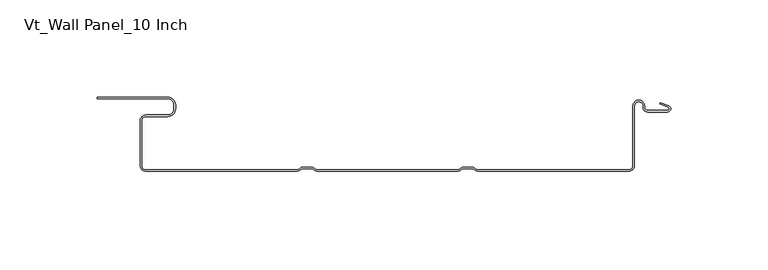
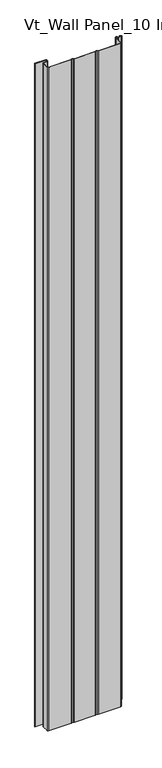
"""IFC4 building model written with IfcOpenShell, lengths in millimetres: plate geometry, Vt_Wall Panel_10 Inch."""

from ifc_helpers import new_model, si_unit, point, frame_2d, origin, origin_with_axes, place, context, project, spatial, polyline, circle_curve, trimmed, segment, composite_curve, outline, extrude, source, transform, mapped, element, save


def vt_wall_panel_10_inch_546e2d45(model_context):
    return source(origin(), model_context, "Body", "SweptSolid", [
        extrude(outline(composite_curve([segment(trimmed(circle_curve(frame_2d((-35.6639634, -32.8147418)), 5.1852582), [point((-35.6639634, -38.0))], [point((-39.2666271, -36.5440469))], False, "CARTESIAN"), True, "CONTINUOUS"), segment(polyline([(-39.2666271, -36.5440469), (-44.4520334, -36.5440469)]), True, "CONTINUOUS"), segment(trimmed(circle_curve(frame_2d((-48.0546971, -32.8147418)), 5.1852582), [point((-44.4520334, -36.5440469))], [point((-48.0546971, -38.0))], False, "CARTESIAN"), True, "CONTINUOUS"), segment(polyline([(-48.0546971, -38.0), (-124.4869905, -38.0)]), True, "CONTINUOUS"), segment(trimmed(circle_curve(frame_2d((-124.4869905, -34.7869903)), 3.2130097), [point((-124.4869905, -38.0))], [point((-127.7000002, -34.7869903))], False, "CARTESIAN"), True, "CONTINUOUS"), segment(polyline([(-127.7000002, -34.7869903), (-127.7000002, -12.0917985)]), True, "CONTINUOUS"), segment(trimmed(circle_curve(frame_2d((-124.6022276, -12.0917985)), 3.0977725), [point((-127.7000002, -12.0917985))], [point((-124.6022276, -8.9940259))], False, "CARTESIAN"), True, "CONTINUOUS"), segment(polyline([(-124.6022276, -8.9940259), (-113.3504982, -8.9940259)]), True, "CONTINUOUS"), segment(trimmed(circle_curve(frame_2d((-113.3504982, -5.8962534)), 3.0977725), [point((-113.3504982, -8.9940259))], [point((-110.2527257, -5.8962534))], True, "CARTESIAN"), True, "CONTINUOUS"), segment(polyline([(-110.2527257, -5.8962534), (-110.2527257, -3.8033983)]), True, "CONTINUOUS"), segment(trimmed(circle_curve(frame_2d((-113.3504982, -3.8033983)), 3.0977725), [point((-110.2527257, -3.8033983))], [point((-113.3504982, -0.7056258))], True, "CARTESIAN"), True, "CONTINUOUS"), segment(polyline([(-113.3504982, -0.7056258), (-149.6340883, -0.7056258), (-149.6340883, 0.0749154), (-113.3504982, 0.0749154)]), True, "CONTINUOUS"), segment(trimmed(circle_curve(frame_2d((-113.3504982, -3.8033983)), 3.8783136), [point((-113.3504982, 0.0749154))], [point((-109.4721846, -3.8033983))], False, "CARTESIAN"), True, "CONTINUOUS"), segment(polyline([(-109.4721846, -3.8033983), (-109.4721846, -5.8962534)]), True, "CONTINUOUS"), segment(trimmed(circle_curve(frame_2d((-113.3504982, -5.8962534)), 3.8783136), [point((-109.4721846, -5.8962534))], [point((-113.3504982, -9.774567))], False, "CARTESIAN"), True, "CONTINUOUS"), segment(polyline([(-113.3504982, -9.774567), (-124.6022276, -9.774567)]), True, "CONTINUOUS"), segment(trimmed(circle_curve(frame_2d((-124.6022276, -12.0917985)), 2.3172314), [point((-124.6022276, -9.774567))], [point((-126.919459, -12.0917985))], True, "CARTESIAN"), True, "CONTINUOUS"), segment(polyline([(-126.919459, -12.0917985), (-126.919459, -34.7869903)]), True, "CONTINUOUS"), segment(trimmed(circle_curve(frame_2d((-124.4869905, -34.7869903)), 2.4324686), [point((-126.919459, -34.7869903))], [point((-124.4869905, -37.2194589))], True, "CARTESIAN"), True, "CONTINUOUS"), segment(polyline([(-124.4869905, -37.2194589), (-48.0546971, -37.2194589)]), True, "CONTINUOUS"), segment(trimmed(circle_curve(frame_2d((-48.0546971, -32.8147418)), 4.4047171), [point((-48.0546971, -37.2194589))], [point((-44.7826452, -35.7635058))], True, "CARTESIAN"), True, "CONTINUOUS"), segment(polyline([(-44.7826452, -35.7635058), (-38.9360153, -35.7635058)]), True, "CONTINUOUS"), segment(trimmed(circle_curve(frame_2d((-35.6639634, -32.8147418)), 4.4047171), [point((-38.9360153, -35.7635058))], [point((-35.6639634, -37.2194589))], True, "CARTESIAN"), True, "CONTINUOUS"), segment(polyline([(-35.6639634, -37.2194589), (34.4699631, -37.2194589)]), True, "CONTINUOUS"), segment(trimmed(circle_curve(frame_2d((34.4699631, -32.8147418)), 4.4047171), [point((34.4699631, -37.2194589))], [point((37.742015, -35.7635058))], True, "CARTESIAN"), True, "CONTINUOUS"), segment(polyline([(37.742015, -35.7635058), (43.588645, -35.7635058)]), True, "CONTINUOUS"), segment(trimmed(circle_curve(frame_2d((46.8606968, -32.8147418)), 4.4047171), [point((43.588645, -35.7635058))], [point((46.8606968, -37.2194589))], True, "CARTESIAN"), True, "CONTINUOUS"), segment(polyline([(46.8606968, -37.2194589), (123.0869902, -37.2194589)]), True, "CONTINUOUS"), segment(trimmed(circle_curve(frame_2d((123.0869902, -34.7869903)), 2.4324686), [point((123.0869902, -37.2194589))], [point((125.5194587, -34.7869903))], True, "CARTESIAN"), True, "CONTINUOUS"), segment(polyline([(125.5194587, -34.7869903), (125.5194587, -4.3905535)]), True, "CONTINUOUS"), segment(trimmed(circle_curve(frame_2d((128.5100251, -4.3717541)), 2.9906254), [point((125.5194587, -4.3905535))], [point((131.500473, -4.3391708))], False, "CARTESIAN"), True, "CONTINUOUS"), segment(polyline([(131.500473, -4.3391708), (131.5344062, -5.3720644)]), True, "CONTINUOUS"), segment(trimmed(circle_curve(frame_2d((133.1548059, -5.0208477)), 1.6580254), [point((131.5344062, -5.3720644))], [point((133.1548059, -6.6788731))], True, "CARTESIAN"), True, "CONTINUOUS"), segment(polyline([(133.1548059, -6.6788731), (143.2420104, -6.6788731)]), True, "CONTINUOUS"), segment(trimmed(circle_curve(frame_2d((143.2387392, -5.8119214)), 0.8669579), [point((143.2420104, -6.6788731))], [point((143.6433711, -5.0451822))], True, "CARTESIAN"), True, "CONTINUOUS"), segment(polyline([(143.6433711, -5.0451822), (139.2834372, -3.321841), (139.5703592, -2.5959483), (143.9636282, -4.3324658)]), True, "CONTINUOUS"), segment(trimmed(circle_curve(frame_2d((143.2387392, -5.8119214)), 1.647499), [point((143.9636282, -4.3324658))], [point((143.2432487, -7.4594143))], False, "CARTESIAN"), True, "CONTINUOUS"), segment(polyline([(143.2432487, -7.4594143), (133.1548059, -7.4594143)]), True, "CONTINUOUS"), segment(trimmed(circle_curve(frame_2d((133.1548059, -5.0208477)), 2.4385665), [point((133.1548059, -7.4594143))], [point((130.756382, -5.4614945))], False, "CARTESIAN"), True, "CONTINUOUS"), segment(polyline([(130.756382, -5.4614945), (130.7200503, -4.3555933)]), True, "CONTINUOUS"), segment(trimmed(circle_curve(frame_2d((128.5100251, -4.3717541)), 2.2100843), [point((130.7200503, -4.3555933))], [point((126.2999998, -4.387915))], True, "CARTESIAN"), True, "CONTINUOUS"), segment(polyline([(126.2999998, -4.387915), (126.2999998, -34.7869903)]), True, "CONTINUOUS"), segment(trimmed(circle_curve(frame_2d((123.0869902, -34.7869903)), 3.2130097), [point((126.2999998, -34.7869903))], [point((123.0869902, -38.0))], False, "CARTESIAN"), True, "CONTINUOUS"), segment(polyline([(123.0869902, -38.0), (46.8606968, -38.0)]), True, "CONTINUOUS"), segment(trimmed(circle_curve(frame_2d((46.8606968, -32.8147418)), 5.1852582), [point((46.8606968, -38.0))], [point((43.2580331, -36.5440469))], False, "CARTESIAN"), True, "CONTINUOUS"), segment(polyline([(43.2580331, -36.5440469), (38.0726269, -36.5440469)]), True, "CONTINUOUS"), segment(trimmed(circle_curve(frame_2d((34.4699631, -32.8147418)), 5.1852582), [point((38.0726269, -36.5440469))], [point((34.4699631, -38.0))], False, "CARTESIAN"), True, "CONTINUOUS"), segment(polyline([(34.4699631, -38.0), (-35.6639634, -38.0)]), True, "CONTINUOUS")], self_intersect=False)), origin_with_axes(), (0.0, 0.0, 1.0), 2400.0),
    ])


if __name__ == "__main__":
    model = new_model("IFC4")
    model_context = context("Model", 3, world=origin())
    ifc_project = project(units=[si_unit("LENGTHUNIT", "METRE", prefix="MILLI")], contexts=[model_context])
    site = spatial("IfcSite", under=ifc_project)
    building = spatial("IfcBuilding", under=site)
    placement = place(None, origin())
    vt_wall_panel_10_inch_shape = vt_wall_panel_10_inch_546e2d45(model_context)
    element("IfcPlate", 1, ObjectType="Vt_Wall Panel_10 Inch", at=placement, inside=building, context=model_context, shape_type="MappedRepresentation", body=[
        mapped(vt_wall_panel_10_inch_shape, transform((0.0, 0.0, 0.0), x_axis=(1.0, 0.0, 0.0), y_axis=(0.0, 1.0, 0.0), z_axis=(0.0, 0.0, 1.0))),
    ])
    save(model, "model.ifc")
